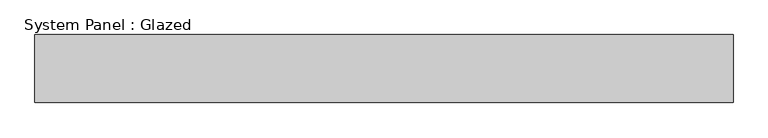
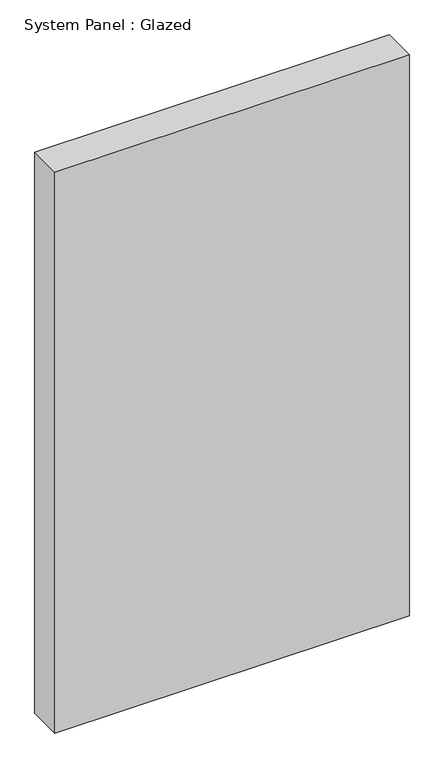
"""IFC4 building model written with IfcOpenShell, lengths in millimetres: plate geometry, System Panel : Glazed."""

from ifc_helpers import new_model, si_unit, origin, origin_with_axes, place, context, project, spatial, polyline, outline, extrude, source, transform, mapped, element, save


def system_panel_glazed_dac0957e(model_context):
    return source(origin(), model_context, "Body", "SweptSolid", [
        extrude(outline(polyline([(513.25, 50.0), (-513.25, 50.0), (-513.25, 150.0), (513.25, 150.0), (513.25, 50.0)])), origin_with_axes(), (0.0, 0.0, 1.0), 1716.1565351),
    ])


if __name__ == "__main__":
    model = new_model("IFC4")
    model_context = context("Model", 3, world=origin())
    ifc_project = project(units=[si_unit("LENGTHUNIT", "METRE", prefix="MILLI")], contexts=[model_context])
    site = spatial("IfcSite", under=ifc_project)
    building = spatial("IfcBuilding", under=site)
    placement = place(None, origin())
    system_panel_glazed_shape = system_panel_glazed_dac0957e(model_context)
    element("IfcPlate", 1, ObjectType="System Panel : Glazed", at=placement, inside=building, context=model_context, shape_type="MappedRepresentation", body=[
        mapped(system_panel_glazed_shape, transform((0.0, 0.0, 0.0), x_axis=(1.0, 0.0, 0.0), y_axis=(0.0, 1.0, 0.0), z_axis=(0.0, 0.0, 1.0))),
    ])
    save(model, "model.ifc")
